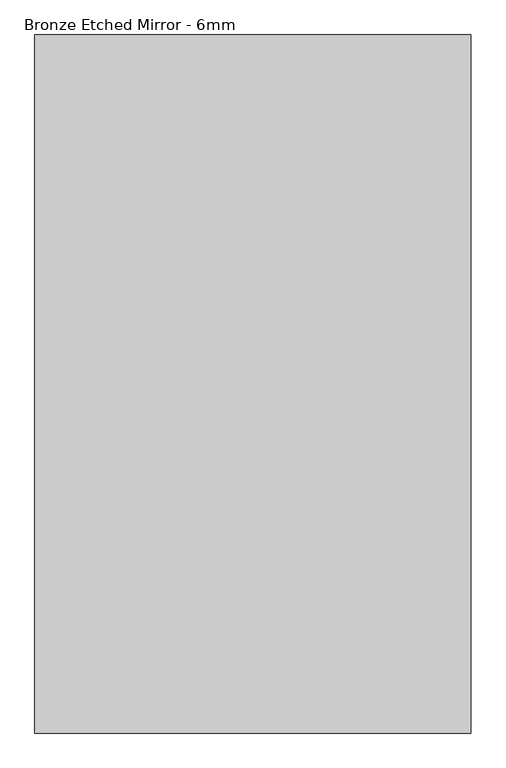
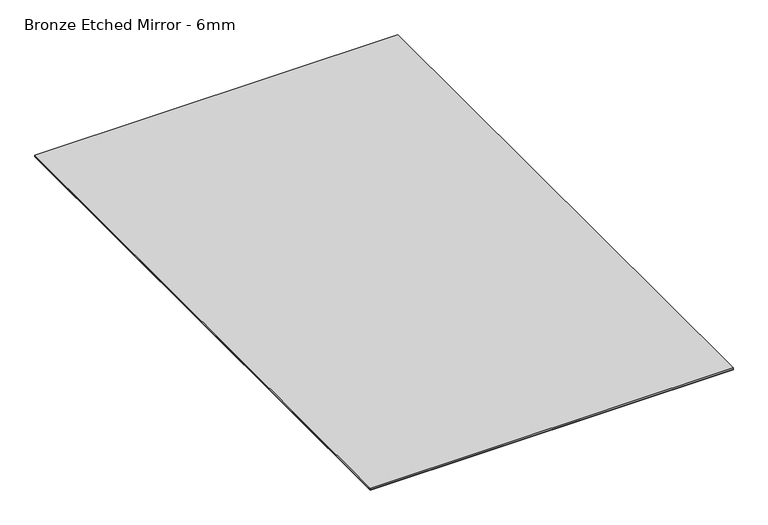
"""IFC4 building model written with IfcOpenShell, lengths in millimetres: proxy geometry, Bronze Etched Mirror - 6mm."""

from ifc_helpers import new_model, si_unit, frame, origin, origin_with_axes, place, context, project, spatial, polyline, outline, extrude, source, transform, mapped, element, save


def bronze_etched_mirror_6mm_6297ecf2(model_context):
    return source(origin(), model_context, "Body", "SweptSolid", [
        extrude(outline(polyline([(762.0, -1219.2), (-762.0, -1219.2), (-762.0, 1219.2), (762.0, 1219.2), (762.0, -1219.2)])), frame((0.0, 0.0, 1.984375), z_axis=(0.0, 0.0, 1.0), x_axis=(1.0, 0.0, 0.0)), (0.0, 0.0, 1.0), 6.35),
        extrude(outline(polyline([(762.0, 1219.2), (762.0, -1219.2), (-762.0, -1219.2), (-762.0, 1219.2), (762.0, 1219.2)])), origin_with_axes(), (0.0, 0.0, 1.0), 1.984375),
    ])


if __name__ == "__main__":
    model = new_model("IFC4")
    model_context = context("Model", 3, world=origin())
    ifc_project = project(units=[si_unit("LENGTHUNIT", "METRE", prefix="MILLI")], contexts=[model_context])
    site = spatial("IfcSite", under=ifc_project)
    building = spatial("IfcBuilding", under=site)
    placement = place(None, origin())
    bronze_etched_mirror_6mm_shape = bronze_etched_mirror_6mm_6297ecf2(model_context)
    element("IfcBuildingElementProxy", 1, Name="Bronze Etched Mirror - 6mm", ObjectType="Bronze Etched Mirror - 6mm", at=placement, inside=building, context=model_context, shape_type="MappedRepresentation", body=[
        mapped(bronze_etched_mirror_6mm_shape, transform((0.0, 0.0, 0.0), x_axis=(1.0, 0.0, 0.0), y_axis=(0.0, 1.0, 0.0), z_axis=(0.0, 0.0, 1.0))),
    ])
    save(model, "model.ifc")
